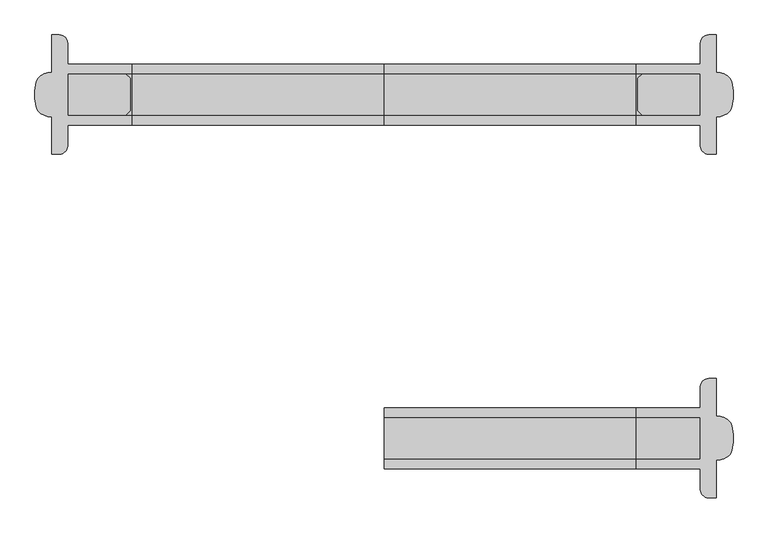
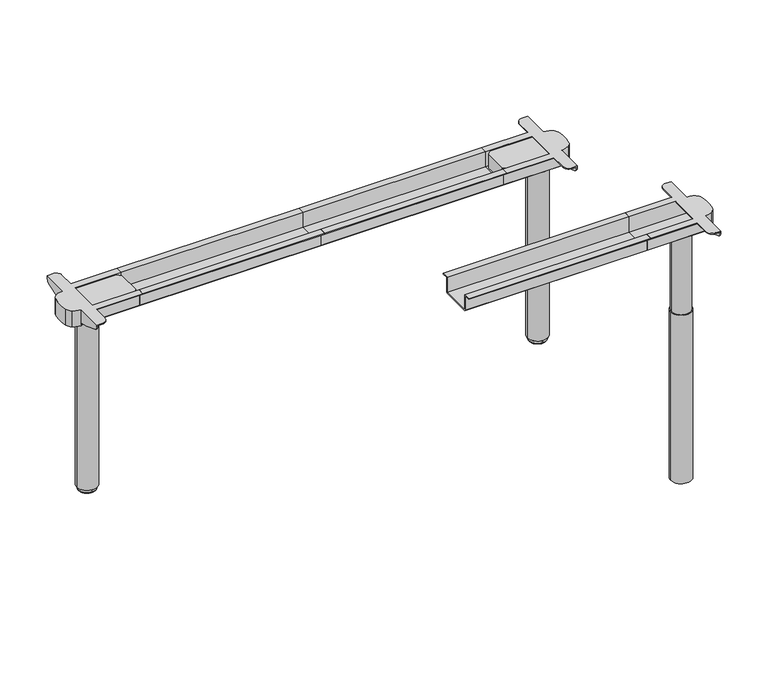
"""IFC4 building model written with IfcOpenShell, lengths in millimetres: furniture geometry."""

from ifc_helpers import new_model, si_unit, point, frame, frame_2d, origin, place, context, project, spatial, polyline, circle_curve, ellipse_curve, trimmed, segment, composite_curve, outline, extrude, source, transform, mapped, element, save
from ifc_brep_helpers import plane_surface, cylinder_surface, revolved_surface, advanced_brep


def furniture_4819cb79(model_context):
    return source(origin(), model_context, "Body", "SolidModel", [
        extrude(outline(polyline([(349.5, 692.0), (349.5, 695.0), (373.0, 695.0), (373.0, 640.0), (477.0, 640.0), (477.0, 695.0), (500.5, 695.0), (500.5, 692.0), (480.0, 692.0), (480.0, 640.0), (477.0, 637.0), (373.0, 637.0), (370.0, 640.0), (370.0, 692.0), (349.5, 692.0)])), frame((900.0, 0.0, 0.0), z_axis=(1.0, 0.0, 0.0), x_axis=(0.0, 1.0, 0.0)), (0.0, 0.0, 1.0), 622.0),
        extrude(outline(composite_curve([segment(trimmed(circle_curve(frame_2d((1670.0, 425.0)), 35.0), [point((1705.0, 425.0))], [point((1635.0, 425.0))], False, "CARTESIAN"), True, "CONTINUOUS"), segment(trimmed(circle_curve(frame_2d((1670.0, 425.0)), 35.0), [point((1635.0, 425.0))], [point((1705.0, 425.0))], False, "CARTESIAN"), True, "CONTINUOUS")], self_intersect=False)), frame((0.0, 0.0, 14.9999997), z_axis=(0.0, 0.0, 1.0), x_axis=(1.0, 0.0, 0.0)), (0.0, 0.0, 1.0), 608.0000003),
        extrude(outline(composite_curve([segment(trimmed(circle_curve(frame_2d((1670.0, 425.0)), 32.0), [point((1702.0, 425.0))], [point((1638.0, 425.0))], False, "CARTESIAN"), True, "CONTINUOUS"), segment(trimmed(circle_curve(frame_2d((1670.0, 425.0)), 32.0), [point((1638.0, 425.0))], [point((1702.0, 425.0))], False, "CARTESIAN"), True, "CONTINUOUS")], self_intersect=False)), frame((0.0, 0.0, 623.0), z_axis=(0.0, 0.0, 1.0), x_axis=(1.0, 0.0, 0.0)), (0.0, 0.0, 1.0), 14.0),
        advanced_brep(
        [(1702.0, 572.5, 695.0), (1682.0, 552.5, 695.0), (1682.0, 500.5, 695.0), (1522.0, 500.5, 695.0), (1522.0, 477.0, 695.0), (1682.0, 477.0, 695.0), (1682.0, 373.0, 695.0), (1522.0, 373.0, 695.0), (1522.0, 349.5, 695.0), (1682.0, 349.5, 695.0), (1682.0, 297.5, 695.0), (1702.0, 277.5, 695.0), (1721.0, 277.5, 695.0), (1721.0, 370.0, 695.0), (1747.7236564, 378.2997982, 695.0), (1759.3057318, 395.0019514, 695.0), (1759.3057318, 454.9980486, 695.0), (1747.7236564, 471.7002018, 695.0), (1721.0, 480.0, 695.0), (1721.0, 572.5, 695.0), (1702.0, 277.5, 692.0), (1682.0, 297.5, 692.0), (1682.0, 349.5, 692.0), (1522.0, 349.5, 692.0), (1522.0, 370.0, 692.0), (1718.0, 370.0, 692.0), (1718.0, 277.5, 692.0), (1682.0, 552.5, 692.0), (1702.0, 572.5, 692.0), (1718.0, 572.5, 692.0), (1718.0, 480.0, 692.0), (1522.0, 480.0, 692.0), (1522.0, 500.5, 692.0), (1682.0, 500.5, 692.0), (1682.0, 373.0, 692.0), (1682.0, 477.0, 692.0), (1718.0, 477.0, 692.0), (1718.0, 373.0, 692.0), (1718.0, 277.5, 690.0), (1721.0, 277.5, 690.0), (1721.0, 288.6005858, 672.1446048), (1721.0, 338.0263662, 654.4919759), (1721.0, 367.7068099, 647.0), (1721.0, 370.0, 647.0), (1721.0, 482.2931901, 647.0), (1721.0, 511.9736338, 654.4919759), (1721.0, 561.3994142, 672.1446048), (1721.0, 572.5, 690.0), (1721.0, 480.0, 647.0), (1718.0, 572.5, 690.0), (1718.0, 477.0, 647.0), (1718.0, 373.0, 647.0), (1718.0, 288.6005858, 672.1446048), (1718.0, 370.0, 647.0), (1718.0, 367.7068099, 647.0), (1718.0, 338.0263662, 654.4919759), (1718.0, 561.3994142, 672.1446048), (1718.0, 511.9736338, 654.4919759), (1718.0, 482.2931901, 647.0), (1718.0, 480.0, 647.0), (1721.0, 477.0, 647.0), (1721.0, 373.0, 647.0), (1522.0, 373.0, 640.0), (1522.0, 477.0, 640.0), (1522.0, 480.0, 640.0), (1522.0, 477.0, 637.0), (1522.0, 373.0, 637.0), (1522.0, 370.0, 640.0), (1721.0, 373.0, 640.0), (1721.0, 477.0, 640.0), (1721.0908216, 480.0, 640.0), (1721.0, 477.0, 637.0), (1721.0, 480.0, 637.0), (1747.7236564, 471.7002018, 637.0), (1759.3057318, 454.9980486, 637.0), (1759.3057318, 395.0019514, 637.0), (1747.7236564, 378.2997982, 637.0), (1721.0, 370.0, 637.0), (1721.0, 373.0, 637.0), (1721.0, 370.0, 640.0)],
        [
            (0, 1, circle_curve(frame((1702.0, 552.5, 695.0), z_axis=(0.0, 0.0, 1.0), x_axis=(-1.0, 0.0, 0.0)), 20.0)),
            (1, 2),
            (2, 3),
            (3, 4),
            (4, 5),
            (5, 6),
            (6, 7),
            (7, 8),
            (8, 9),
            (9, 10),
            (10, 11, circle_curve(frame((1702.0, 297.5, 695.0), z_axis=(0.0, 0.0, 1.0), x_axis=(-1.0, 0.0, 0.0)), 20.0)),
            (11, 12),
            (12, 13),
            (13, 14, circle_curve(frame((1721.0454108, 417.0260458, 695.0), z_axis=(0.0, 0.0, 1.0), x_axis=(-1.0, 0.0, 0.0)), 47.0260677)),
            (14, 15, circle_curve(frame((1731.4118931, 401.9780188, 695.0), z_axis=(0.0, 0.0, 1.0), x_axis=(-1.0, 0.0, 0.0)), 28.7529434)),
            (15, 16, circle_curve(frame((1639.3583906, 425.0, 695.0), z_axis=(0.0, 0.0, 1.0), x_axis=(-1.0, 0.0, 0.0)), 123.6416094)),
            (16, 17, circle_curve(frame((1731.4118931, 448.0219812, 695.0), z_axis=(0.0, 0.0, 1.0), x_axis=(-1.0, 0.0, 0.0)), 28.7529434)),
            (17, 18, circle_curve(frame((1721.0454108, 432.9739542, 695.0), z_axis=(0.0, 0.0, 1.0), x_axis=(-1.0, 0.0, 0.0)), 47.0260677)),
            (18, 19),
            (19, 0),
            (20, 21, circle_curve(frame((1702.0, 297.5, 692.0), z_axis=(0.0, 0.0, -1.0), x_axis=(-1.0, 0.0, 0.0)), 20.0)),
            (21, 22),
            (22, 23),
            (23, 24),
            (24, 25),
            (25, 26),
            (26, 20),
            (27, 28, circle_curve(frame((1702.0, 552.5, 692.0), z_axis=(0.0, 0.0, -1.0), x_axis=(-1.0, 0.0, 0.0)), 20.0)),
            (28, 29),
            (29, 30),
            (30, 31),
            (31, 32),
            (32, 33),
            (33, 27),
            (34, 35),
            (35, 36),
            (36, 37),
            (37, 34),
            (11, 20),
            (26, 38),
            (38, 39),
            (39, 12),
            (40, 41, circle_curve(frame((1721.0, 405.1855435, 920.5518532), z_axis=(1.0, 0.0, 0.0), x_axis=(0.0, -1.0, 0.0)), 274.4051993)),
            (41, 42),
            (42, 43),
            (43, 13),
            (39, 40, circle_curve(frame((1721.0, 297.4105773, 690.0), z_axis=(1.0, 0.0, 0.0), x_axis=(0.0, -1.0, 0.0)), 19.9105773)),
            (44, 45),
            (45, 46, circle_curve(frame((1721.0, 444.8144565, 920.5518532), z_axis=(1.0, 0.0, 0.0), x_axis=(0.0, -1.0, 0.0)), 274.4051993)),
            (46, 47, circle_curve(frame((1721.0, 552.5894227, 690.0), z_axis=(1.0, 0.0, 0.0), x_axis=(0.0, -1.0, 0.0)), 19.9105773)),
            (47, 19),
            (18, 48),
            (48, 44),
            (28, 0),
            (47, 49),
            (49, 29),
            (27, 1),
            (5, 35),
            (34, 6),
            (33, 2),
            (21, 10),
            (9, 22),
            (36, 50),
            (50, 51),
            (51, 37),
            (52, 38, circle_curve(frame((1718.0, 297.4105773, 690.0), z_axis=(-1.0, 0.0, 0.0), x_axis=(0.0, -1.0, 0.0)), 19.9105773)),
            (25, 53),
            (53, 54),
            (54, 55),
            (55, 52, circle_curve(frame((1718.0, 405.1855435, 920.5518532), z_axis=(-1.0, 0.0, 0.0), x_axis=(0.0, -1.0, 0.0)), 274.4051993)),
            (49, 56, circle_curve(frame((1718.0, 552.5894227, 690.0), z_axis=(-1.0, 0.0, 0.0), x_axis=(0.0, -1.0, 0.0)), 19.9105773)),
            (56, 57, circle_curve(frame((1718.0, 444.8144565, 920.5518532), z_axis=(-1.0, 0.0, 0.0), x_axis=(0.0, -1.0, 0.0)), 274.4051993)),
            (57, 58),
            (58, 59),
            (59, 30),
            (52, 40),
            (46, 56),
            (45, 57),
            (44, 58),
            (50, 60),
            (60, 61),
            (61, 51),
            (48, 59),
            (42, 54),
            (53, 43),
            (41, 55),
            (23, 8),
            (7, 62),
            (62, 63),
            (63, 4),
            (3, 32),
            (31, 64),
            (64, 65),
            (65, 66),
            (66, 67),
            (67, 24),
            (61, 68),
            (68, 62),
            (68, 69),
            (69, 63),
            (69, 60),
            (48, 70),
            (70, 64),
            (65, 71),
            (71, 72),
            (72, 73, circle_curve(frame((1721.0454108, 432.9739542, 637.0), z_axis=(0.0, 0.0, -1.0), x_axis=(-1.0, 0.0, 0.0)), 47.0260677)),
            (73, 74, circle_curve(frame((1731.4118931, 448.0219812, 637.0), z_axis=(0.0, 0.0, -1.0), x_axis=(-1.0, 0.0, 0.0)), 28.7529434)),
            (74, 75, circle_curve(frame((1639.3583906, 425.0, 637.0), z_axis=(0.0, 0.0, -1.0), x_axis=(-1.0, 0.0, 0.0)), 123.6416094)),
            (75, 76, circle_curve(frame((1731.4118931, 401.9780188, 637.0), z_axis=(0.0, 0.0, -1.0), x_axis=(-1.0, 0.0, 0.0)), 28.7529434)),
            (76, 77, circle_curve(frame((1721.0454108, 417.0260458, 637.0), z_axis=(0.0, 0.0, -1.0), x_axis=(-1.0, 0.0, 0.0)), 47.0260677)),
            (77, 78),
            (78, 66),
            (67, 79),
            (79, 43),
            (70, 71),
            (78, 79),
            (70, 72),
            (77, 79),
            (76, 14),
            (75, 15),
            (74, 16),
            (73, 17),
        ],
        [
            plane_surface(frame((1721.0, 277.5, 695.0), z_axis=(0.0, 0.0, 1.0), x_axis=(1.0, 0.0, 0.0))),
            plane_surface(frame((1721.0, 277.5, 692.0), z_axis=(0.0, 0.0, -1.0), x_axis=(-1.0, 0.0, 0.0))),
            plane_surface(frame((1702.0, 277.5, 695.0), z_axis=(0.0, -1.0, 0.0), x_axis=(0.0, 0.0, -1.0))),
            plane_surface(frame((1721.0, 277.5, 695.0), z_axis=(1.0, 0.0, 0.0), x_axis=(0.0, 0.0, -1.0))),
            plane_surface(frame((1721.0, 572.5, 695.0), z_axis=(0.0, 1.0, 0.0), x_axis=(0.0, 0.0, -1.0))),
            cylinder_surface(frame((1702.0, 552.5, 692.0), z_axis=(0.0, 0.0, 1.0), x_axis=(-1.0, 0.0, 0.0)), 20.0),
            plane_surface(frame((1682.0, 552.5, 695.0), z_axis=(-1.0, 0.0, 0.0), x_axis=(0.0, 0.0, -1.0))),
            cylinder_surface(frame((1702.0, 297.5, 692.0), z_axis=(0.0, 0.0, 1.0), x_axis=(-1.0, 0.0, 0.0)), 20.0),
            plane_surface(frame((1718.0, 277.5, 690.0), z_axis=(-1.0, 0.0, 0.0), x_axis=(0.0, 0.0, 1.0))),
            cylinder_surface(frame((1721.0, 297.4105773, 690.0), z_axis=(-1.0, 0.0, 0.0), x_axis=(0.0, -1.0, 0.0)), 19.9105773),
            cylinder_surface(frame((1721.0, 552.5894227, 690.0), z_axis=(-1.0, 0.0, 0.0), x_axis=(0.0, -1.0, 0.0)), 19.9105773),
            cylinder_surface(frame((1721.0, 444.8144565, 920.5518532), z_axis=(-1.0, 0.0, 0.0), x_axis=(0.0, -1.0, 0.0)), 274.4051993),
            plane_surface(frame((1718.0, 511.9736338, 654.4919759), z_axis=(0.0, 0.24474455091917155, -0.9695875952152921), x_axis=(1.0, 0.0, 0.0))),
            plane_surface(frame((1718.0, 482.2931901, 647.0), z_axis=(0.0, 0.0, -1.0), x_axis=(1.0, 0.0, 0.0))),
            plane_surface(frame((1718.0, 367.7068099, 647.0), z_axis=(0.0, -0.24474455091895964, -0.9695875952153455), x_axis=(1.0, 0.0, 0.0))),
            cylinder_surface(frame((1721.0, 405.1855435, 920.5518532), z_axis=(-1.0, 0.0, 0.0), x_axis=(0.0, -1.0, 0.0)), 274.4051993),
            plane_surface(frame((1522.0, 349.5, 695.0), z_axis=(-1.0, 0.0, 0.0), x_axis=(0.0, 0.0, 1.0))),
            plane_surface(frame((1522.0, 349.5, 692.0), z_axis=(0.0, -1.0, 0.0), x_axis=(1.0, 0.0, 0.0))),
            plane_surface(frame((1522.0, 373.0, 695.0), z_axis=(0.0, 1.0, 0.0), x_axis=(1.0, 0.0, 0.0))),
            plane_surface(frame((1522.0, 373.0, 640.0), z_axis=(0.0, 0.0, 1.0), x_axis=(1.0, 0.0, 0.0))),
            plane_surface(frame((1522.0, 477.0, 640.0), z_axis=(0.0, -1.0, 0.0), x_axis=(1.0, 0.0, 0.0))),
            plane_surface(frame((1522.0, 500.5, 695.0), z_axis=(0.0, 1.0, 0.0), x_axis=(1.0, 0.0, 0.0))),
            plane_surface(frame((1522.0, 480.0, 692.0), z_axis=(0.0, 1.0, 0.0), x_axis=(1.0, 0.0, 0.0))),
            plane_surface(frame((1522.0, 477.0, 637.0), z_axis=(0.0, 0.0, -1.0), x_axis=(1.0, 0.0, 0.0))),
            plane_surface(frame((1522.0, 370.0, 640.0), z_axis=(0.0, -1.0, 0.0), x_axis=(1.0, 0.0, 0.0))),
            plane_surface(frame((1522.0, 480.0, 640.0), z_axis=(0.0, 0.7071067811945555, -0.7071067811785396), x_axis=(1.0, 0.0, 0.0))),
            plane_surface(frame((1522.0, 373.0, 637.0), z_axis=(0.0, -0.7071067811865396, -0.7071067811865555), x_axis=(1.0, 0.0, 0.0))),
            plane_surface(frame((1721.0, 480.0, 695.0), z_axis=(-1.0, 0.0, 0.0), x_axis=(0.0, 0.0, -1.0))),
            cylinder_surface(frame((1721.0454108, 417.0260458, 637.0), z_axis=(0.0, 0.0, 1.0), x_axis=(-1.0, 0.0, 0.0)), 47.0260677),
            cylinder_surface(frame((1731.4118931, 401.9780188, 637.0), z_axis=(0.0, 0.0, 1.0), x_axis=(-1.0, 0.0, 0.0)), 28.7529434),
            cylinder_surface(frame((1639.3583906, 425.0, 637.0), z_axis=(0.0, 0.0, 1.0), x_axis=(-1.0, 0.0, 0.0)), 123.6416094),
            cylinder_surface(frame((1731.4118931, 448.0219812, 637.0), z_axis=(0.0, 0.0, 1.0), x_axis=(-1.0, 0.0, 0.0)), 28.7529434),
            cylinder_surface(frame((1721.0454108, 432.9739542, 637.0), z_axis=(0.0, 0.0, 1.0), x_axis=(-1.0, 0.0, 0.0)), 47.0260677),
        ],
        [
            (0, [[1, 2, 3, 4, 5, 6, 7, 8, 9, 10, 11, 12, 13, 14, 15, 16, 17, 18, 19, 20]]),
            (1, [[21, 22, 23, 24, 25, 26, 27]]),
            (1, [[28, 29, 30, 31, 32, 33, 34]]),
            (1, [[35, 36, 37, 38]]),
            (2, [[39, -27, 40, 41, 42, -12]]),
            (3, [[43, 44, 45, 46, -13, -42, 47]]),
            (3, [[48, 49, 50, 51, -19, 52, 53]]),
            (4, [[54, -20, -51, 55, 56, -29]]),
            (5, [[-1, -54, -28, 57]]),
            (6, [[-6, 58, -35, 59]]),
            (6, [[-57, -34, 60, -2]]),
            (6, [[61, -10, 62, -22]]),
            (7, [[-11, -61, -21, -39]]),
            (8, [[-37, 63, 64, 65]]),
            (8, [[66, -40, -26, 67, 68, 69, 70]]),
            (8, [[71, 72, 73, 74, 75, -30, -56]]),
            (9, [[-66, 76, -47, -41]]),
            (10, [[-71, -55, -50, 77]]),
            (11, [[-72, -77, -49, 78]]),
            (12, [[-73, -78, -48, 79]]),
            (13, [[-64, 80, 81, 82]]),
            (13, [[-79, -53, 83, -74]]),
            (13, [[84, -68, 85, -45]]),
            (14, [[-69, -84, -44, 86]]),
            (15, [[-70, -86, -43, -76]]),
            (16, [[87, -8, 88, 89, 90, -4, 91, -32, 92, 93, 94, 95, 96, -24]]),
            (17, [[-87, -23, -62, -9]]),
            (18, [[-88, -7, -59, -38, -65, -82, 97, 98]]),
            (19, [[-89, -98, 99, 100]]),
            (20, [[-90, -100, 101, -80, -63, -36, -58, -5]]),
            (21, [[-91, -3, -60, -33]]),
            (22, [[-92, -31, -75, -83, 102, 103]]),
            (23, [[-94, 104, 105, 106, 107, 108, 109, 110, 111, 112]]),
            (24, [[-96, 113, 114, -85, -67, -25]]),
            (25, [[-93, -103, 115, -104]]),
            (26, [[-95, -112, 116, -113]]),
            (27, [[-81, -101, -99, -97]]),
            (27, [[-105, -115, 117]]),
            (27, [[118, -116, -111]]),
            (28, [[-14, -46, -114, -118, -110, 119]]),
            (29, [[-15, -119, -109, 120]]),
            (30, [[-16, -120, -108, 121]]),
            (31, [[-17, -121, -107, 122]]),
            (32, [[-18, -122, -106, -117, -102, -52]]),
        ],
    ),
        advanced_brep(
        [(1670.0, 395.0, 11.9999997), (1670.0, 455.0, 11.9999997), (1670.0, 452.0, 14.9999997), (1670.0, 398.0, 14.9999997), (1670.0, 395.0, 3.0), (1670.0, 455.0, 3.0), (1670.0, 398.0, 0.0), (1670.0, 452.0, 0.0), (1670.0, 425.0, 0.0), (1670.0, 425.0, 14.9999997)],
        [
            (0, 1, circle_curve(frame((1670.0, 425.0, 11.9999997), z_axis=(0.0, 0.0, 1.0), x_axis=(0.0, 1.0, 0.0)), 30.0)),
            (1, 2, circle_curve(frame((1670.0, 452.0, 11.9999997), z_axis=(1.0, 0.0, 0.0), x_axis=(0.0, -1.0, 0.0)), 3.0)),
            (2, 3, circle_curve(frame((1670.0, 425.0, 14.9999997), z_axis=(0.0, 0.0, -1.0), x_axis=(0.0, 1.0, 0.0)), 27.0)),
            (3, 0, circle_curve(frame((1670.0, 398.0, 11.9999997), z_axis=(1.0, 0.0, 0.0), x_axis=(0.0, 1.0, 0.0)), 3.0)),
            (1, 0, circle_curve(frame((1670.0, 425.0, 11.9999997), z_axis=(0.0, 0.0, 1.0), x_axis=(0.0, 1.0, 0.0)), 30.0)),
            (3, 2, circle_curve(frame((1670.0, 425.0, 14.9999997), z_axis=(0.0, 0.0, -1.0), x_axis=(0.0, 1.0, 0.0)), 27.0)),
            (4, 5, circle_curve(frame((1670.0, 425.0, 3.0), z_axis=(0.0, 0.0, 1.0), x_axis=(0.0, 1.0, 0.0)), 30.0)),
            (5, 1),
            (0, 4),
            (5, 4, circle_curve(frame((1670.0, 425.0, 3.0), z_axis=(0.0, 0.0, 1.0), x_axis=(0.0, 1.0, 0.0)), 30.0)),
            (6, 7, circle_curve(frame((1670.0, 425.0, 0.0), z_axis=(0.0, 0.0, 1.0), x_axis=(0.0, 1.0, 0.0)), 27.0)),
            (7, 5, circle_curve(frame((1670.0, 452.0, 3.0), z_axis=(1.0, 0.0, 0.0), x_axis=(0.0, -1.0, 0.0)), 3.0)),
            (4, 6, circle_curve(frame((1670.0, 398.0, 3.0), z_axis=(1.0, 0.0, 0.0), x_axis=(0.0, 1.0, 0.0)), 3.0)),
            (7, 6, circle_curve(frame((1670.0, 425.0, 0.0), z_axis=(0.0, 0.0, 1.0), x_axis=(0.0, 1.0, 0.0)), 27.0)),
            (8, 7),
            (6, 8),
            (2, 9),
            (9, 3),
        ],
        [
            revolved_surface(trimmed(ellipse_curve(frame((1670.0, 452.0, 11.9999997), z_axis=(-1.0, 0.0, 0.0), x_axis=(0.0, -1.0, 0.0)), 3.0, 3.0), [point((1670.0, 452.0, 14.9999997))], [point((1670.0, 455.0, 11.9999997))], True, "CARTESIAN"), (1670.0, 425.0, -5.0), (0.0, 0.0, -1.0)),
            cylinder_surface(frame((1670.0, 425.0, -5.0), z_axis=(0.0, 0.0, -1.0), x_axis=(0.0, 1.0, 0.0)), 30.0),
            revolved_surface(trimmed(ellipse_curve(frame((1670.0, 452.0, 3.0), z_axis=(-1.0, 0.0, 0.0), x_axis=(0.0, -1.0, 0.0)), 3.0, 3.0), [point((1670.0, 455.0, 3.0))], [point((1670.0, 452.0, 0.0))], True, "CARTESIAN"), (1670.0, 425.0, -5.0), (0.0, 0.0, -1.0)),
            plane_surface(frame((1670.0, 425.0, 0.0), z_axis=(0.0, 0.0, -1.0), x_axis=(0.0, 1.0, 0.0))),
            plane_surface(frame((1670.0, 425.0, 14.9999997), z_axis=(0.0, 0.0, 1.0), x_axis=(0.0, 1.0, 0.0))),
        ],
        [
            (0, [[1, 2, 3, 4]]),
            (0, [[5, -4, 6, -2]]),
            (1, [[7, 8, -1, 9]]),
            (1, [[10, -9, -5, -8]]),
            (2, [[11, 12, -7, 13]]),
            (2, [[14, -13, -10, -12]]),
            (3, [[15, -11, 16]]),
            (3, [[-16, -14, -15]]),
            (4, [[-3, 17, 18]]),
            (4, [[-6, -18, -17]]),
        ],
    ),
        extrude(outline(polyline([(1539.0058611, 373.0), (1527.0, 385.0058611), (1527.0, 464.9941389), (1539.0058611, 477.0), (1721.0, 477.0), (1721.0, 373.0), (1539.0058611, 373.0)])), frame((0.0, 0.0, 640.0), z_axis=(0.0, 0.0, 1.0), x_axis=(1.0, 0.0, 0.0)), (0.0, 0.0, 1.0), 52.0),
        extrude(outline(polyline([(349.5, 692.0), (349.5, 695.0), (373.0, 695.0), (373.0, 640.0), (477.0, 640.0), (477.0, 695.0), (500.5, 695.0), (500.5, 692.0), (480.0, 692.0), (480.0, 640.0), (477.0, 637.0), (373.0, 637.0), (370.0, 640.0), (370.0, 692.0), (349.5, 692.0)])), frame((278.0, 0.0, 0.0), z_axis=(1.0, 0.0, 0.0), x_axis=(0.0, 1.0, 0.0)), (0.0, 0.0, 1.0), 622.0),
        extrude(outline(composite_curve([segment(trimmed(circle_curve(frame_2d((130.0, 425.0)), 35.0), [point((95.0, 425.0))], [point((165.0, 425.0))], False, "CARTESIAN"), True, "CONTINUOUS"), segment(trimmed(circle_curve(frame_2d((130.0, 425.0)), 35.0), [point((165.0, 425.0))], [point((95.0, 425.0))], False, "CARTESIAN"), True, "CONTINUOUS")], self_intersect=False)), frame((0.0, 0.0, 14.9999997), z_axis=(0.0, 0.0, 1.0), x_axis=(1.0, 0.0, 0.0)), (0.0, 0.0, 1.0), 608.0000003),
        extrude(outline(composite_curve([segment(trimmed(circle_curve(frame_2d((130.0, 425.0)), 32.0), [point((98.0, 425.0))], [point((162.0, 425.0))], False, "CARTESIAN"), True, "CONTINUOUS"), segment(trimmed(circle_curve(frame_2d((130.0, 425.0)), 32.0), [point((162.0, 425.0))], [point((98.0, 425.0))], False, "CARTESIAN"), True, "CONTINUOUS")], self_intersect=False)), frame((0.0, 0.0, 623.0), z_axis=(0.0, 0.0, 1.0), x_axis=(1.0, 0.0, 0.0)), (0.0, 0.0, 1.0), 14.0),
        advanced_brep(
        [(98.0, 572.5, 695.0), (79.0, 572.5, 695.0), (79.0, 480.0, 695.0), (52.2763436, 471.7002018, 695.0), (40.6942682, 454.9980486, 695.0), (40.6942682, 395.0019514, 695.0), (52.2763436, 378.2997982, 695.0), (79.0, 370.0, 695.0), (79.0, 277.5, 695.0), (98.0, 277.5, 695.0), (118.0, 297.5, 695.0), (118.0, 349.5, 695.0), (278.0, 349.5, 695.0), (278.0, 373.0, 695.0), (118.0, 373.0, 695.0), (118.0, 477.0, 695.0), (278.0, 477.0, 695.0), (278.0, 500.5, 695.0), (118.0, 500.5, 695.0), (118.0, 552.5, 695.0), (98.0, 277.5, 692.0), (82.0, 277.5, 692.0), (82.0, 370.0, 692.0), (278.0, 370.0, 692.0), (278.0, 349.5, 692.0), (118.0, 349.5, 692.0), (118.0, 297.5, 692.0), (118.0, 552.5, 692.0), (118.0, 500.5, 692.0), (278.0, 500.5, 692.0), (278.0, 480.0, 692.0), (82.0, 480.0, 692.0), (82.0, 572.5, 692.0), (98.0, 572.5, 692.0), (118.0, 373.0, 692.0), (82.0, 373.0, 692.0), (82.0, 477.0, 692.0), (118.0, 477.0, 692.0), (79.0, 277.5, 690.0), (82.0, 277.5, 690.0), (79.0, 288.6005858, 672.1446048), (79.0, 370.0, 647.0), (79.0, 367.7068099, 647.0), (79.0, 338.0263662, 654.4919759), (79.0, 482.2931901, 647.0), (79.0, 480.0, 647.0), (79.0, 572.5, 690.0), (79.0, 561.3994142, 672.1446048), (79.0, 511.9736338, 654.4919759), (82.0, 572.5, 690.0), (82.0, 480.0, 647.0), (82.0, 482.2931901, 647.0), (82.0, 511.9736338, 654.4919759), (82.0, 561.3994142, 672.1446048), (82.0, 288.6005858, 672.1446048), (82.0, 338.0263662, 654.4919759), (82.0, 367.7068099, 647.0), (82.0, 370.0, 647.0), (82.0, 373.0, 647.0), (82.0, 477.0, 647.0), (79.0, 373.0, 647.0), (79.0, 477.0, 647.0), (278.0, 370.0, 640.0), (278.0, 373.0, 637.0), (278.0, 477.0, 637.0), (278.0, 480.0, 640.0), (278.0, 477.0, 640.0), (278.0, 373.0, 640.0), (79.0, 373.0, 640.0), (79.0, 477.0, 640.0), (79.0, 480.0, 640.0), (79.0, 373.0, 637.0), (79.0, 370.0, 637.0), (52.2763436, 378.2997982, 637.0), (40.6942682, 395.0019514, 637.0), (40.6942682, 454.9980486, 637.0), (52.2763436, 471.7002018, 637.0), (79.0, 480.0, 637.0), (79.0, 477.0, 637.0), (79.0, 370.0, 640.0)],
        [
            (0, 1),
            (1, 2),
            (2, 3, circle_curve(frame((78.9545892, 432.9739542, 695.0), z_axis=(0.0, 0.0, 1.0), x_axis=(1.0, 0.0, 0.0)), 47.0260677)),
            (3, 4, circle_curve(frame((68.5881069, 448.0219812, 695.0), z_axis=(0.0, 0.0, 1.0), x_axis=(1.0, 0.0, 0.0)), 28.7529434)),
            (4, 5, circle_curve(frame((160.6416094, 425.0, 695.0), z_axis=(0.0, 0.0, 1.0), x_axis=(1.0, 0.0, 0.0)), 123.6416094)),
            (5, 6, circle_curve(frame((68.5881069, 401.9780188, 695.0), z_axis=(0.0, 0.0, 1.0), x_axis=(1.0, 0.0, 0.0)), 28.7529434)),
            (6, 7, circle_curve(frame((78.9545892, 417.0260458, 695.0), z_axis=(0.0, 0.0, 1.0), x_axis=(1.0, 0.0, 0.0)), 47.0260677)),
            (7, 8),
            (8, 9),
            (9, 10, circle_curve(frame((98.0, 297.5, 695.0), z_axis=(0.0, 0.0, 1.0), x_axis=(1.0, 0.0, 0.0)), 20.0)),
            (10, 11),
            (11, 12),
            (12, 13),
            (13, 14),
            (14, 15),
            (15, 16),
            (16, 17),
            (17, 18),
            (18, 19),
            (19, 0, circle_curve(frame((98.0, 552.5, 695.0), z_axis=(0.0, 0.0, 1.0), x_axis=(1.0, 0.0, 0.0)), 20.0)),
            (20, 21),
            (21, 22),
            (22, 23),
            (23, 24),
            (24, 25),
            (25, 26),
            (26, 20, circle_curve(frame((98.0, 297.5, 692.0), z_axis=(0.0, 0.0, -1.0), x_axis=(1.0, 0.0, 0.0)), 20.0)),
            (27, 28),
            (28, 29),
            (29, 30),
            (30, 31),
            (31, 32),
            (32, 33),
            (33, 27, circle_curve(frame((98.0, 552.5, 692.0), z_axis=(0.0, 0.0, -1.0), x_axis=(1.0, 0.0, 0.0)), 20.0)),
            (34, 35),
            (35, 36),
            (36, 37),
            (37, 34),
            (8, 38),
            (38, 39),
            (39, 21),
            (20, 9),
            (40, 38, circle_curve(frame((79.0, 297.4105773, 690.0), z_axis=(-1.0, 0.0, 0.0), x_axis=(0.0, -1.0, 0.0)), 19.9105773)),
            (7, 41),
            (41, 42),
            (42, 43),
            (43, 40, circle_curve(frame((79.0, 405.1855435, 920.5518532), z_axis=(-1.0, 0.0, 0.0), x_axis=(0.0, -1.0, 0.0)), 274.4051993)),
            (44, 45),
            (45, 2),
            (1, 46),
            (46, 47, circle_curve(frame((79.0, 552.5894227, 690.0), z_axis=(-1.0, 0.0, 0.0), x_axis=(0.0, -1.0, 0.0)), 19.9105773)),
            (47, 48, circle_curve(frame((79.0, 444.8144565, 920.5518532), z_axis=(-1.0, 0.0, 0.0), x_axis=(0.0, -1.0, 0.0)), 274.4051993)),
            (48, 44),
            (32, 49),
            (49, 46),
            (0, 33),
            (19, 27),
            (18, 28),
            (25, 11),
            (10, 26),
            (14, 34),
            (37, 15),
            (31, 50),
            (50, 51),
            (51, 52),
            (52, 53, circle_curve(frame((82.0, 444.8144565, 920.5518532), z_axis=(1.0, 0.0, 0.0), x_axis=(0.0, -1.0, 0.0)), 274.4051993)),
            (53, 49, circle_curve(frame((82.0, 552.5894227, 690.0), z_axis=(1.0, 0.0, 0.0), x_axis=(0.0, -1.0, 0.0)), 19.9105773)),
            (54, 55, circle_curve(frame((82.0, 405.1855435, 920.5518532), z_axis=(1.0, 0.0, 0.0), x_axis=(0.0, -1.0, 0.0)), 274.4051993)),
            (55, 56),
            (56, 57),
            (57, 22),
            (39, 54, circle_curve(frame((82.0, 297.4105773, 690.0), z_axis=(1.0, 0.0, 0.0), x_axis=(0.0, -1.0, 0.0)), 19.9105773)),
            (35, 58),
            (58, 59),
            (59, 36),
            (40, 54),
            (53, 47),
            (52, 48),
            (51, 44),
            (41, 57),
            (56, 42),
            (50, 45),
            (58, 60),
            (60, 61),
            (61, 59),
            (55, 43),
            (23, 62),
            (62, 63),
            (63, 64),
            (64, 65),
            (65, 30),
            (29, 17),
            (16, 66),
            (66, 67),
            (67, 13),
            (12, 24),
            (67, 68),
            (68, 60),
            (66, 69),
            (69, 68),
            (61, 69),
            (65, 70),
            (70, 45),
            (63, 71),
            (71, 72),
            (72, 73, circle_curve(frame((78.9545892, 417.0260458, 637.0), z_axis=(0.0, 0.0, -1.0), x_axis=(1.0, 0.0, 0.0)), 47.0260677)),
            (73, 74, circle_curve(frame((68.5881069, 401.9780188, 637.0), z_axis=(0.0, 0.0, -1.0), x_axis=(1.0, 0.0, 0.0)), 28.7529434)),
            (74, 75, circle_curve(frame((160.6416094, 425.0, 637.0), z_axis=(0.0, 0.0, -1.0), x_axis=(1.0, 0.0, 0.0)), 123.6416094)),
            (75, 76, circle_curve(frame((68.5881069, 448.0219812, 637.0), z_axis=(0.0, 0.0, -1.0), x_axis=(1.0, 0.0, 0.0)), 28.7529434)),
            (76, 77, circle_curve(frame((78.9545892, 432.9739542, 637.0), z_axis=(0.0, 0.0, -1.0), x_axis=(1.0, 0.0, 0.0)), 47.0260677)),
            (77, 78),
            (78, 64),
            (41, 79),
            (79, 62),
            (78, 70),
            (79, 71),
            (79, 72),
            (77, 70),
            (6, 73),
            (5, 74),
            (4, 75),
            (3, 76),
        ],
        [
            plane_surface(frame((79.0, 277.5, 695.0), z_axis=(0.0, 0.0, 1.0), x_axis=(-1.0, 0.0, 0.0))),
            plane_surface(frame((79.0, 277.5, 692.0), z_axis=(0.0, 0.0, -1.0), x_axis=(1.0, 0.0, 0.0))),
            plane_surface(frame((98.0, 277.5, 695.0), z_axis=(0.0, -1.0, 0.0), x_axis=(0.0, 0.0, -1.0))),
            plane_surface(frame((79.0, 277.5, 695.0), z_axis=(-1.0, 0.0, 0.0), x_axis=(0.0, 0.0, -1.0))),
            plane_surface(frame((79.0, 572.5, 695.0), z_axis=(0.0, 1.0, 0.0), x_axis=(0.0, 0.0, -1.0))),
            cylinder_surface(frame((98.0, 552.5, 692.0), z_axis=(0.0, 0.0, 1.0), x_axis=(1.0, 0.0, 0.0)), 20.0),
            plane_surface(frame((118.0, 552.5, 695.0), z_axis=(1.0, 0.0, 0.0), x_axis=(0.0, 0.0, -1.0))),
            cylinder_surface(frame((98.0, 297.5, 692.0), z_axis=(0.0, 0.0, 1.0), x_axis=(1.0, 0.0, 0.0)), 20.0),
            plane_surface(frame((82.0, 277.5, 690.0), z_axis=(1.0, 0.0, 0.0), x_axis=(0.0, 0.0, 1.0))),
            cylinder_surface(frame((79.0, 297.4105773, 690.0), z_axis=(1.0, 0.0, 0.0), x_axis=(0.0, -1.0, 0.0)), 19.9105773),
            cylinder_surface(frame((79.0, 552.5894227, 690.0), z_axis=(1.0, 0.0, 0.0), x_axis=(0.0, -1.0, 0.0)), 19.9105773),
            cylinder_surface(frame((79.0, 444.8144565, 920.5518532), z_axis=(1.0, 0.0, 0.0), x_axis=(0.0, -1.0, 0.0)), 274.4051993),
            plane_surface(frame((82.0, 511.9736338, 654.4919759), z_axis=(0.0, 0.24474455091917155, -0.9695875952152921), x_axis=(-1.0, 0.0, 0.0))),
            plane_surface(frame((82.0, 482.2931901, 647.0), z_axis=(0.0, 0.0, -1.0), x_axis=(-1.0, 0.0, 0.0))),
            plane_surface(frame((82.0, 367.7068099, 647.0), z_axis=(0.0, -0.24474455091895964, -0.9695875952153455), x_axis=(-1.0, 0.0, 0.0))),
            cylinder_surface(frame((79.0, 405.1855435, 920.5518532), z_axis=(1.0, 0.0, 0.0), x_axis=(0.0, -1.0, 0.0)), 274.4051993),
            plane_surface(frame((278.0, 349.5, 695.0), z_axis=(1.0, 0.0, 0.0), x_axis=(0.0, 0.0, 1.0))),
            plane_surface(frame((278.0, 349.5, 692.0), z_axis=(0.0, -1.0, 0.0), x_axis=(-1.0, 0.0, 0.0))),
            plane_surface(frame((278.0, 373.0, 695.0), z_axis=(0.0, 1.0, 0.0), x_axis=(-1.0, 0.0, 0.0))),
            plane_surface(frame((278.0, 373.0, 640.0), z_axis=(0.0, 0.0, 1.0), x_axis=(-1.0, 0.0, 0.0))),
            plane_surface(frame((278.0, 477.0, 640.0), z_axis=(0.0, -1.0, 0.0), x_axis=(-1.0, 0.0, 0.0))),
            plane_surface(frame((278.0, 500.5, 695.0), z_axis=(0.0, 1.0, 0.0), x_axis=(-1.0, 0.0, 0.0))),
            plane_surface(frame((278.0, 480.0, 692.0), z_axis=(0.0, 1.0, 0.0), x_axis=(-1.0, 0.0, 0.0))),
            plane_surface(frame((278.0, 477.0, 637.0), z_axis=(0.0, 0.0, -1.0), x_axis=(-1.0, 0.0, 0.0))),
            plane_surface(frame((278.0, 370.0, 640.0), z_axis=(0.0, -1.0, 0.0), x_axis=(-1.0, 0.0, 0.0))),
            plane_surface(frame((278.0, 480.0, 640.0), z_axis=(0.0, 0.7071067811945555, -0.7071067811785396), x_axis=(-1.0, 0.0, 0.0))),
            plane_surface(frame((278.0, 373.0, 637.0), z_axis=(0.0, -0.7071067811865396, -0.7071067811865555), x_axis=(-1.0, 0.0, 0.0))),
            plane_surface(frame((79.0, 480.0, 695.0), z_axis=(1.0, 0.0, 0.0), x_axis=(0.0, 0.0, -1.0))),
            cylinder_surface(frame((78.9545892, 417.0260458, 637.0), z_axis=(0.0, 0.0, 1.0), x_axis=(1.0, 0.0, 0.0)), 47.0260677),
            cylinder_surface(frame((68.5881069, 401.9780188, 637.0), z_axis=(0.0, 0.0, 1.0), x_axis=(1.0, 0.0, 0.0)), 28.7529434),
            cylinder_surface(frame((160.6416094, 425.0, 637.0), z_axis=(0.0, 0.0, 1.0), x_axis=(1.0, 0.0, 0.0)), 123.6416094),
            cylinder_surface(frame((68.5881069, 448.0219812, 637.0), z_axis=(0.0, 0.0, 1.0), x_axis=(1.0, 0.0, 0.0)), 28.7529434),
            cylinder_surface(frame((78.9545892, 432.9739542, 637.0), z_axis=(0.0, 0.0, 1.0), x_axis=(1.0, 0.0, 0.0)), 47.0260677),
        ],
        [
            (0, [[1, 2, 3, 4, 5, 6, 7, 8, 9, 10, 11, 12, 13, 14, 15, 16, 17, 18, 19, 20]]),
            (1, [[21, 22, 23, 24, 25, 26, 27]]),
            (1, [[28, 29, 30, 31, 32, 33, 34]]),
            (1, [[35, 36, 37, 38]]),
            (2, [[-9, 39, 40, 41, -21, 42]]),
            (3, [[43, -39, -8, 44, 45, 46, 47]]),
            (3, [[48, 49, -2, 50, 51, 52, 53]]),
            (4, [[-33, 54, 55, -50, -1, 56]]),
            (5, [[57, -34, -56, -20]]),
            (6, [[-19, 58, -28, -57]]),
            (6, [[-26, 59, -11, 60]]),
            (6, [[61, -38, 62, -15]]),
            (7, [[-42, -27, -60, -10]]),
            (8, [[-54, -32, 63, 64, 65, 66, 67]]),
            (8, [[68, 69, 70, 71, -22, -41, 72]]),
            (8, [[73, 74, 75, -36]]),
            (9, [[-40, -43, 76, -72]]),
            (10, [[77, -51, -55, -67]]),
            (11, [[78, -52, -77, -66]]),
            (12, [[79, -53, -78, -65]]),
            (13, [[-45, 80, -70, 81]]),
            (13, [[-64, 82, -48, -79]]),
            (13, [[83, 84, 85, -74]]),
            (14, [[86, -46, -81, -69]]),
            (15, [[-76, -47, -86, -68]]),
            (16, [[-24, 87, 88, 89, 90, 91, -30, 92, -17, 93, 94, 95, -13, 96]]),
            (17, [[-12, -59, -25, -96]]),
            (18, [[97, 98, -83, -73, -35, -61, -14, -95]]),
            (19, [[99, 100, -97, -94]]),
            (20, [[-16, -62, -37, -75, -85, 101, -99, -93]]),
            (21, [[-29, -58, -18, -92]]),
            (22, [[102, 103, -82, -63, -31, -91]]),
            (23, [[104, 105, 106, 107, 108, 109, 110, 111, 112, -89]]),
            (24, [[-23, -71, -80, 113, 114, -87]]),
            (25, [[-112, 115, -102, -90]]),
            (26, [[-114, 116, -104, -88]]),
            (27, [[-98, -100, -101, -84]]),
            (27, [[-105, -116, 117]]),
            (27, [[118, -115, -111]]),
            (28, [[119, -106, -117, -113, -44, -7]]),
            (29, [[120, -107, -119, -6]]),
            (30, [[121, -108, -120, -5]]),
            (31, [[122, -109, -121, -4]]),
            (32, [[-49, -103, -118, -110, -122, -3]]),
        ],
    ),
        advanced_brep(
        [(130.0, 395.0, 11.9999997), (130.0, 398.0, 14.9999997), (130.0, 452.0, 14.9999997), (130.0, 455.0, 11.9999997), (130.0, 395.0, 3.0), (130.0, 455.0, 3.0), (130.0, 398.0, 0.0), (130.0, 452.0, 0.0), (130.0, 425.0, 0.0), (130.0, 425.0, 14.9999997)],
        [
            (0, 1, circle_curve(frame((130.0, 398.0, 11.9999997), z_axis=(-1.0, 0.0, 0.0), x_axis=(0.0, 1.0, 0.0)), 3.0)),
            (1, 2, circle_curve(frame((130.0, 425.0, 14.9999997), z_axis=(0.0, 0.0, -1.0), x_axis=(0.0, 1.0, 0.0)), 27.0)),
            (2, 3, circle_curve(frame((130.0, 452.0, 11.9999997), z_axis=(-1.0, 0.0, 0.0), x_axis=(0.0, -1.0, 0.0)), 3.0)),
            (3, 0, circle_curve(frame((130.0, 425.0, 11.9999997), z_axis=(0.0, 0.0, 1.0), x_axis=(0.0, 1.0, 0.0)), 30.0)),
            (2, 1, circle_curve(frame((130.0, 425.0, 14.9999997), z_axis=(0.0, 0.0, -1.0), x_axis=(0.0, 1.0, 0.0)), 27.0)),
            (0, 3, circle_curve(frame((130.0, 425.0, 11.9999997), z_axis=(0.0, 0.0, 1.0), x_axis=(0.0, 1.0, 0.0)), 30.0)),
            (4, 0),
            (3, 5),
            (5, 4, circle_curve(frame((130.0, 425.0, 3.0), z_axis=(0.0, 0.0, 1.0), x_axis=(0.0, 1.0, 0.0)), 30.0)),
            (4, 5, circle_curve(frame((130.0, 425.0, 3.0), z_axis=(0.0, 0.0, 1.0), x_axis=(0.0, 1.0, 0.0)), 30.0)),
            (6, 4, circle_curve(frame((130.0, 398.0, 3.0), z_axis=(-1.0, 0.0, 0.0), x_axis=(0.0, 1.0, 0.0)), 3.0)),
            (5, 7, circle_curve(frame((130.0, 452.0, 3.0), z_axis=(-1.0, 0.0, 0.0), x_axis=(0.0, -1.0, 0.0)), 3.0)),
            (7, 6, circle_curve(frame((130.0, 425.0, 0.0), z_axis=(0.0, 0.0, 1.0), x_axis=(0.0, 1.0, 0.0)), 27.0)),
            (6, 7, circle_curve(frame((130.0, 425.0, 0.0), z_axis=(0.0, 0.0, 1.0), x_axis=(0.0, 1.0, 0.0)), 27.0)),
            (8, 6),
            (7, 8),
            (1, 9),
            (9, 2),
        ],
        [
            revolved_surface(trimmed(ellipse_curve(frame((130.0, 452.0, 11.9999997), z_axis=(-1.0, 0.0, 0.0), x_axis=(0.0, -1.0, 0.0)), 3.0, 3.0), [point((130.0, 452.0, 14.9999997))], [point((130.0, 455.0, 11.9999997))], True, "CARTESIAN"), (130.0, 425.0, -5.0), (0.0, 0.0, -1.0)),
            cylinder_surface(frame((130.0, 425.0, -5.0), z_axis=(0.0, 0.0, -1.0), x_axis=(0.0, 1.0, 0.0)), 30.0),
            revolved_surface(trimmed(ellipse_curve(frame((130.0, 452.0, 3.0), z_axis=(-1.0, 0.0, 0.0), x_axis=(0.0, -1.0, 0.0)), 3.0, 3.0), [point((130.0, 455.0, 3.0))], [point((130.0, 452.0, 0.0))], True, "CARTESIAN"), (130.0, 425.0, -5.0), (0.0, 0.0, -1.0)),
            plane_surface(frame((130.0, 425.0, 0.0), z_axis=(0.0, 0.0, -1.0), x_axis=(0.0, 1.0, 0.0))),
            plane_surface(frame((130.0, 425.0, 14.9999997), z_axis=(0.0, 0.0, 1.0), x_axis=(0.0, 1.0, 0.0))),
        ],
        [
            (0, [[1, 2, 3, 4]]),
            (0, [[-3, 5, -1, 6]]),
            (1, [[7, -4, 8, 9]]),
            (1, [[-8, -6, -7, 10]]),
            (2, [[11, -9, 12, 13]]),
            (2, [[-12, -10, -11, 14]]),
            (3, [[15, -13, 16]]),
            (3, [[-16, -14, -15]]),
            (4, [[17, 18, -2]]),
            (4, [[-18, -17, -5]]),
        ],
    ),
        extrude(outline(polyline([(260.9941389, 373.0), (79.0, 373.0), (79.0, 477.0), (260.9941389, 477.0), (273.0, 464.9941389), (273.0, 385.0058611), (260.9941389, 373.0)])), frame((0.0, 0.0, 640.0), z_axis=(0.0, 0.0, 1.0), x_axis=(1.0, 0.0, 0.0)), (0.0, 0.0, 1.0), 52.0),
        extrude(outline(polyline([(-349.5, 972.0), (-370.0, 972.0), (-370.0, 920.0), (-373.0, 917.0), (-477.0, 917.0), (-480.0, 920.0), (-480.0, 972.0), (-500.5, 972.0), (-500.5, 975.0), (-477.0, 975.0), (-477.0, 920.0), (-373.0, 920.0), (-373.0, 975.0), (-349.5, 975.0), (-349.5, 972.0)])), frame((900.0, 0.0, 0.0), z_axis=(1.0, 0.0, 0.0), x_axis=(0.0, 1.0, 0.0)), (0.0, 0.0, 1.0), 622.0),
        extrude(outline(composite_curve([segment(trimmed(circle_curve(frame_2d((1670.0, -425.0)), 35.0), [point((1705.0, -425.0))], [point((1635.0, -425.0))], False, "CARTESIAN"), True, "CONTINUOUS"), segment(trimmed(circle_curve(frame_2d((1670.0, -425.0)), 35.0), [point((1635.0, -425.0))], [point((1705.0, -425.0))], False, "CARTESIAN"), True, "CONTINUOUS")], self_intersect=False)), frame((0.0, 0.0, 14.9999997), z_axis=(0.0, 0.0, 1.0), x_axis=(1.0, 0.0, 0.0)), (0.0, 0.0, 1.0), 608.0000003),
        extrude(outline(composite_curve([segment(trimmed(circle_curve(frame_2d((1670.0, -425.0)), 32.0), [point((1702.0, -425.0))], [point((1638.0, -425.0))], False, "CARTESIAN"), True, "CONTINUOUS"), segment(trimmed(circle_curve(frame_2d((1670.0, -425.0)), 32.0), [point((1638.0, -425.0))], [point((1702.0, -425.0))], False, "CARTESIAN"), True, "CONTINUOUS")], self_intersect=False)), frame((0.0, 0.0, 623.0), z_axis=(0.0, 0.0, 1.0), x_axis=(1.0, 0.0, 0.0)), (0.0, 0.0, 1.0), 294.0),
        advanced_brep(
        [(1702.0, -572.5, 975.0), (1721.0, -572.5, 975.0), (1721.0, -480.0, 975.0), (1747.7236564, -471.7002018, 975.0), (1759.3057318, -454.9980486, 975.0), (1759.3057318, -395.0019514, 975.0), (1747.7236564, -378.2997982, 975.0), (1721.0, -370.0, 975.0), (1721.0, -277.5, 975.0), (1702.0, -277.5, 975.0), (1682.0, -297.5, 975.0), (1682.0, -349.5, 975.0), (1522.0, -349.5, 975.0), (1522.0, -373.0, 975.0), (1682.0, -373.0, 975.0), (1682.0, -477.0, 975.0), (1522.0, -477.0, 975.0), (1522.0, -500.5, 975.0), (1682.0, -500.5, 975.0), (1682.0, -552.5, 975.0), (1702.0, -277.5, 972.0), (1718.0, -277.5, 972.0), (1718.0, -370.0, 972.0), (1522.0, -370.0, 972.0), (1522.0, -349.5, 972.0), (1682.0, -349.5, 972.0), (1682.0, -297.5, 972.0), (1682.0, -552.5, 972.0), (1682.0, -500.5, 972.0), (1522.0, -500.5, 972.0), (1522.0, -480.0, 972.0), (1718.0, -480.0, 972.0), (1718.0, -572.5, 972.0), (1702.0, -572.5, 972.0), (1682.0, -373.0, 972.0), (1718.0, -373.0, 972.0), (1718.0, -477.0, 972.0), (1682.0, -477.0, 972.0), (1721.0, -277.5, 970.0), (1718.0, -277.5, 970.0), (1721.0, -288.6005858, 952.1446048), (1721.0, -370.0, 927.0), (1721.0, -367.7068099, 927.0), (1721.0, -338.0263662, 934.4919759), (1721.0, -482.2931901, 927.0), (1721.0, -480.0, 927.0), (1721.0, -572.5, 970.0), (1721.0, -561.3994142, 952.1446048), (1721.0, -511.9736338, 934.4919759), (1718.0, -572.5, 970.0), (1718.0, -480.0, 927.0), (1718.0, -482.2931901, 927.0), (1718.0, -511.9736338, 934.4919759), (1718.0, -561.3994142, 952.1446048), (1718.0, -288.6005858, 952.1446048), (1718.0, -338.0263662, 934.4919759), (1718.0, -367.7068099, 927.0), (1718.0, -370.0, 927.0), (1718.0, -373.0, 927.0), (1718.0, -477.0, 927.0), (1721.0, -373.0, 927.0), (1721.0, -477.0, 927.0), (1522.0, -370.0, 920.0), (1522.0, -373.0, 917.0), (1522.0, -477.0, 917.0), (1522.0, -480.0, 920.0), (1522.0, -477.0, 920.0), (1522.0, -373.0, 920.0), (1721.0, -373.0, 920.0), (1721.0, -477.0, 920.0), (1721.0, -480.0, 920.0), (1721.0, -373.0, 917.0), (1721.0, -370.0, 917.0), (1747.7236564, -378.2997982, 917.0), (1759.3057318, -395.0019514, 917.0), (1759.3057318, -454.9980486, 917.0), (1747.7236564, -471.7002018, 917.0), (1721.0, -480.0, 917.0), (1721.0, -477.0, 917.0), (1721.0, -370.0, 920.0)],
        [
            (0, 1),
            (1, 2),
            (2, 3, circle_curve(frame((1721.0454108, -432.9739542, 975.0), z_axis=(0.0, 0.0, 1.0), x_axis=(-1.0, 0.0, 0.0)), 47.0260677)),
            (3, 4, circle_curve(frame((1731.4118931, -448.0219812, 975.0), z_axis=(0.0, 0.0, 1.0), x_axis=(-1.0, 0.0, 0.0)), 28.7529434)),
            (4, 5, circle_curve(frame((1639.3583906, -425.0, 975.0), z_axis=(0.0, 0.0, 1.0), x_axis=(-1.0, 0.0, 0.0)), 123.6416094)),
            (5, 6, circle_curve(frame((1731.4118931, -401.9780188, 975.0), z_axis=(0.0, 0.0, 1.0), x_axis=(-1.0, 0.0, 0.0)), 28.7529434)),
            (6, 7, circle_curve(frame((1721.0454108, -417.0260458, 975.0), z_axis=(0.0, 0.0, 1.0), x_axis=(-1.0, 0.0, 0.0)), 47.0260677)),
            (7, 8),
            (8, 9),
            (9, 10, circle_curve(frame((1702.0, -297.5, 975.0), z_axis=(0.0, 0.0, 1.0), x_axis=(-1.0, 0.0, 0.0)), 20.0)),
            (10, 11),
            (11, 12),
            (12, 13),
            (13, 14),
            (14, 15),
            (15, 16),
            (16, 17),
            (17, 18),
            (18, 19),
            (19, 0, circle_curve(frame((1702.0, -552.5, 975.0), z_axis=(0.0, 0.0, 1.0), x_axis=(-1.0, 0.0, 0.0)), 20.0)),
            (20, 21),
            (21, 22),
            (22, 23),
            (23, 24),
            (24, 25),
            (25, 26),
            (26, 20, circle_curve(frame((1702.0, -297.5, 972.0), z_axis=(0.0, 0.0, -1.0), x_axis=(-1.0, 0.0, 0.0)), 20.0)),
            (27, 28),
            (28, 29),
            (29, 30),
            (30, 31),
            (31, 32),
            (32, 33),
            (33, 27, circle_curve(frame((1702.0, -552.5, 972.0), z_axis=(0.0, 0.0, -1.0), x_axis=(-1.0, 0.0, 0.0)), 20.0)),
            (34, 35),
            (35, 36),
            (36, 37),
            (37, 34),
            (8, 38),
            (38, 39),
            (39, 21),
            (20, 9),
            (40, 38, circle_curve(frame((1721.0, -297.4105773, 970.0), z_axis=(1.0, 0.0, 0.0), x_axis=(0.0, 1.0, 0.0)), 19.9105773)),
            (7, 41),
            (41, 42),
            (42, 43),
            (43, 40, circle_curve(frame((1721.0, -405.1855435, 1200.5518532), z_axis=(1.0, 0.0, 0.0), x_axis=(0.0, 1.0, 0.0)), 274.4051993)),
            (44, 45),
            (45, 2),
            (1, 46),
            (46, 47, circle_curve(frame((1721.0, -552.5894227, 970.0), z_axis=(1.0, 0.0, 0.0), x_axis=(0.0, 1.0, 0.0)), 19.9105773)),
            (47, 48, circle_curve(frame((1721.0, -444.8144565, 1200.5518532), z_axis=(1.0, 0.0, 0.0), x_axis=(0.0, 1.0, 0.0)), 274.4051993)),
            (48, 44),
            (32, 49),
            (49, 46),
            (0, 33),
            (19, 27),
            (18, 28),
            (25, 11),
            (10, 26),
            (14, 34),
            (37, 15),
            (31, 50),
            (50, 51),
            (51, 52),
            (52, 53, circle_curve(frame((1718.0, -444.8144565, 1200.5518532), z_axis=(-1.0, 0.0, 0.0), x_axis=(0.0, 1.0, 0.0)), 274.4051993)),
            (53, 49, circle_curve(frame((1718.0, -552.5894227, 970.0), z_axis=(-1.0, 0.0, 0.0), x_axis=(0.0, 1.0, 0.0)), 19.9105773)),
            (54, 55, circle_curve(frame((1718.0, -405.1855435, 1200.5518532), z_axis=(-1.0, 0.0, 0.0), x_axis=(0.0, 1.0, 0.0)), 274.4051993)),
            (55, 56),
            (56, 57),
            (57, 22),
            (39, 54, circle_curve(frame((1718.0, -297.4105773, 970.0), z_axis=(-1.0, 0.0, 0.0), x_axis=(0.0, 1.0, 0.0)), 19.9105773)),
            (35, 58),
            (58, 59),
            (59, 36),
            (40, 54),
            (53, 47),
            (52, 48),
            (51, 44),
            (41, 57),
            (56, 42),
            (50, 45),
            (58, 60),
            (60, 61),
            (61, 59),
            (55, 43),
            (23, 62),
            (62, 63),
            (63, 64),
            (64, 65),
            (65, 30),
            (29, 17),
            (16, 66),
            (66, 67),
            (67, 13),
            (12, 24),
            (67, 68),
            (68, 60),
            (66, 69),
            (69, 68),
            (61, 69),
            (65, 70),
            (70, 45),
            (63, 71),
            (71, 72),
            (72, 73, circle_curve(frame((1721.0454108, -417.0260458, 917.0), z_axis=(0.0, 0.0, -1.0), x_axis=(-1.0, 0.0, 0.0)), 47.0260677)),
            (73, 74, circle_curve(frame((1731.4118931, -401.9780188, 917.0), z_axis=(0.0, 0.0, -1.0), x_axis=(-1.0, 0.0, 0.0)), 28.7529434)),
            (74, 75, circle_curve(frame((1639.3583906, -425.0, 917.0), z_axis=(0.0, 0.0, -1.0), x_axis=(-1.0, 0.0, 0.0)), 123.6416094)),
            (75, 76, circle_curve(frame((1731.4118931, -448.0219812, 917.0), z_axis=(0.0, 0.0, -1.0), x_axis=(-1.0, 0.0, 0.0)), 28.7529434)),
            (76, 77, circle_curve(frame((1721.0454108, -432.9739542, 917.0), z_axis=(0.0, 0.0, -1.0), x_axis=(-1.0, 0.0, 0.0)), 47.0260677)),
            (77, 78),
            (78, 64),
            (41, 79),
            (79, 62),
            (78, 70),
            (79, 71),
            (79, 72),
            (77, 70),
            (6, 73),
            (5, 74),
            (4, 75),
            (3, 76),
        ],
        [
            plane_surface(frame((1721.0, -277.5, 975.0), z_axis=(0.0, 0.0, 1.0), x_axis=(1.0, 0.0, 0.0))),
            plane_surface(frame((1721.0, -277.5, 972.0), z_axis=(0.0, 0.0, -1.0), x_axis=(-1.0, 0.0, 0.0))),
            plane_surface(frame((1702.0, -277.5, 975.0), z_axis=(0.0, 1.0, 0.0), x_axis=(0.0, 0.0, -1.0))),
            plane_surface(frame((1721.0, -277.5, 975.0), z_axis=(1.0, 0.0, 0.0), x_axis=(0.0, 0.0, -1.0))),
            plane_surface(frame((1721.0, -572.5, 975.0), z_axis=(0.0, -1.0, 0.0), x_axis=(0.0, 0.0, -1.0))),
            cylinder_surface(frame((1702.0, -552.5, 972.0), z_axis=(0.0, 0.0, 1.0), x_axis=(-1.0, 0.0, 0.0)), 20.0),
            plane_surface(frame((1682.0, -552.5, 975.0), z_axis=(-1.0, 0.0, 0.0), x_axis=(0.0, 0.0, -1.0))),
            cylinder_surface(frame((1702.0, -297.5, 972.0), z_axis=(0.0, 0.0, 1.0), x_axis=(-1.0, 0.0, 0.0)), 20.0),
            plane_surface(frame((1718.0, -277.5, 970.0), z_axis=(-1.0, 0.0, 0.0), x_axis=(0.0, 0.0, 1.0))),
            cylinder_surface(frame((1721.0, -297.4105773, 970.0), z_axis=(-1.0, 0.0, 0.0), x_axis=(0.0, 1.0, 0.0)), 19.9105773),
            cylinder_surface(frame((1721.0, -552.5894227, 970.0), z_axis=(-1.0, 0.0, 0.0), x_axis=(0.0, 1.0, 0.0)), 19.9105773),
            cylinder_surface(frame((1721.0, -444.8144565, 1200.5518532), z_axis=(-1.0, 0.0, 0.0), x_axis=(0.0, 1.0, 0.0)), 274.4051993),
            plane_surface(frame((1718.0, -511.9736338, 934.4919759), z_axis=(0.0, -0.24474455091693617, -0.9695875952158564), x_axis=(1.0, 0.0, 0.0))),
            plane_surface(frame((1718.0, -482.2931901, 927.0), z_axis=(0.0, 0.0, -1.0), x_axis=(1.0, 0.0, 0.0))),
            plane_surface(frame((1718.0, -367.7068099, 927.0), z_axis=(0.0, 0.2447445509167095, -0.9695875952159135), x_axis=(1.0, 0.0, 0.0))),
            cylinder_surface(frame((1721.0, -405.1855435, 1200.5518532), z_axis=(-1.0, 0.0, 0.0), x_axis=(0.0, 1.0, 0.0)), 274.4051993),
            plane_surface(frame((1522.0, -349.5, 975.0), z_axis=(-1.0, 0.0, 0.0), x_axis=(0.0, 0.0, 1.0))),
            plane_surface(frame((1522.0, -349.5, 972.0), z_axis=(0.0, 1.0, 0.0), x_axis=(1.0, 0.0, 0.0))),
            plane_surface(frame((1522.0, -373.0, 975.0), z_axis=(0.0, -1.0, 0.0), x_axis=(1.0, 0.0, 0.0))),
            plane_surface(frame((1522.0, -373.0, 920.0), z_axis=(0.0, 0.0, 1.0), x_axis=(1.0, 0.0, 0.0))),
            plane_surface(frame((1522.0, -477.0, 920.0), z_axis=(0.0, 1.0, 0.0), x_axis=(1.0, 0.0, 0.0))),
            plane_surface(frame((1522.0, -500.5, 975.0), z_axis=(0.0, -1.0, 0.0), x_axis=(1.0, 0.0, 0.0))),
            plane_surface(frame((1522.0, -480.0, 972.0), z_axis=(0.0, -1.0, 0.0), x_axis=(1.0, 0.0, 0.0))),
            plane_surface(frame((1522.0, -477.0, 917.0), z_axis=(0.0, 0.0, -1.0), x_axis=(1.0, 0.0, 0.0))),
            plane_surface(frame((1522.0, -370.0, 920.0), z_axis=(0.0, 1.0, 0.0), x_axis=(1.0, 0.0, 0.0))),
            plane_surface(frame((1522.0, -480.0, 920.0), z_axis=(0.0, -0.7071067811929762, -0.7071067811801188), x_axis=(1.0, 0.0, 0.0))),
            plane_surface(frame((1522.0, -373.0, 917.0), z_axis=(0.0, 0.7071067811748187, -0.7071067811982764), x_axis=(1.0, 0.0, 0.0))),
            plane_surface(frame((1721.0, -480.0, 975.0), z_axis=(-1.0, 0.0, 0.0), x_axis=(0.0, 0.0, -1.0))),
            cylinder_surface(frame((1721.0454108, -417.0260458, 917.0), z_axis=(0.0, 0.0, 1.0), x_axis=(-1.0, 0.0, 0.0)), 47.0260677),
            cylinder_surface(frame((1731.4118931, -401.9780188, 917.0), z_axis=(0.0, 0.0, 1.0), x_axis=(-1.0, 0.0, 0.0)), 28.7529434),
            cylinder_surface(frame((1639.3583906, -425.0, 917.0), z_axis=(0.0, 0.0, 1.0), x_axis=(-1.0, 0.0, 0.0)), 123.6416094),
            cylinder_surface(frame((1731.4118931, -448.0219812, 917.0), z_axis=(0.0, 0.0, 1.0), x_axis=(-1.0, 0.0, 0.0)), 28.7529434),
            cylinder_surface(frame((1721.0454108, -432.9739542, 917.0), z_axis=(0.0, 0.0, 1.0), x_axis=(-1.0, 0.0, 0.0)), 47.0260677),
        ],
        [
            (0, [[1, 2, 3, 4, 5, 6, 7, 8, 9, 10, 11, 12, 13, 14, 15, 16, 17, 18, 19, 20]]),
            (1, [[21, 22, 23, 24, 25, 26, 27]]),
            (1, [[28, 29, 30, 31, 32, 33, 34]]),
            (1, [[35, 36, 37, 38]]),
            (2, [[-9, 39, 40, 41, -21, 42]]),
            (3, [[43, -39, -8, 44, 45, 46, 47]]),
            (3, [[48, 49, -2, 50, 51, 52, 53]]),
            (4, [[-33, 54, 55, -50, -1, 56]]),
            (5, [[57, -34, -56, -20]]),
            (6, [[-19, 58, -28, -57]]),
            (6, [[-26, 59, -11, 60]]),
            (6, [[61, -38, 62, -15]]),
            (7, [[-42, -27, -60, -10]]),
            (8, [[-54, -32, 63, 64, 65, 66, 67]]),
            (8, [[68, 69, 70, 71, -22, -41, 72]]),
            (8, [[73, 74, 75, -36]]),
            (9, [[-40, -43, 76, -72]]),
            (10, [[77, -51, -55, -67]]),
            (11, [[78, -52, -77, -66]]),
            (12, [[79, -53, -78, -65]]),
            (13, [[-45, 80, -70, 81]]),
            (13, [[-64, 82, -48, -79]]),
            (13, [[83, 84, 85, -74]]),
            (14, [[86, -46, -81, -69]]),
            (15, [[-76, -47, -86, -68]]),
            (16, [[-24, 87, 88, 89, 90, 91, -30, 92, -17, 93, 94, 95, -13, 96]]),
            (17, [[-12, -59, -25, -96]]),
            (18, [[97, 98, -83, -73, -35, -61, -14, -95]]),
            (19, [[99, 100, -97, -94]]),
            (20, [[-16, -62, -37, -75, -85, 101, -99, -93]]),
            (21, [[-29, -58, -18, -92]]),
            (22, [[102, 103, -82, -63, -31, -91]]),
            (23, [[104, 105, 106, 107, 108, 109, 110, 111, 112, -89]]),
            (24, [[-23, -71, -80, 113, 114, -87]]),
            (25, [[-112, 115, -102, -90]]),
            (26, [[-114, 116, -104, -88]]),
            (27, [[-98, -100, -101, -84]]),
            (27, [[-105, -116, 117]]),
            (27, [[118, -115, -111]]),
            (28, [[119, -106, -117, -113, -44, -7]]),
            (29, [[120, -107, -119, -6]]),
            (30, [[121, -108, -120, -5]]),
            (31, [[122, -109, -121, -4]]),
            (32, [[-49, -103, -118, -110, -122, -3]]),
        ],
    ),
    ])


if __name__ == "__main__":
    model = new_model("IFC4")
    model_context = context("Model", 3, world=origin())
    ifc_project = project(units=[si_unit("LENGTHUNIT", "METRE", prefix="MILLI")], contexts=[model_context])
    site = spatial("IfcSite", under=ifc_project)
    building = spatial("IfcBuilding", under=site)
    placement = place(None, origin())
    furniture_shape = furniture_4819cb79(model_context)
    element("IfcFurniture", 1, at=placement, inside=building, context=model_context, shape_type="MappedRepresentation", body=[
        mapped(furniture_shape, transform((0.0, 0.0, 0.0), x_axis=(1.0, 0.0, 0.0), y_axis=(0.0, 1.0, 0.0), z_axis=(0.0, 0.0, 1.0))),
    ])
    save(model, "model.ifc")
